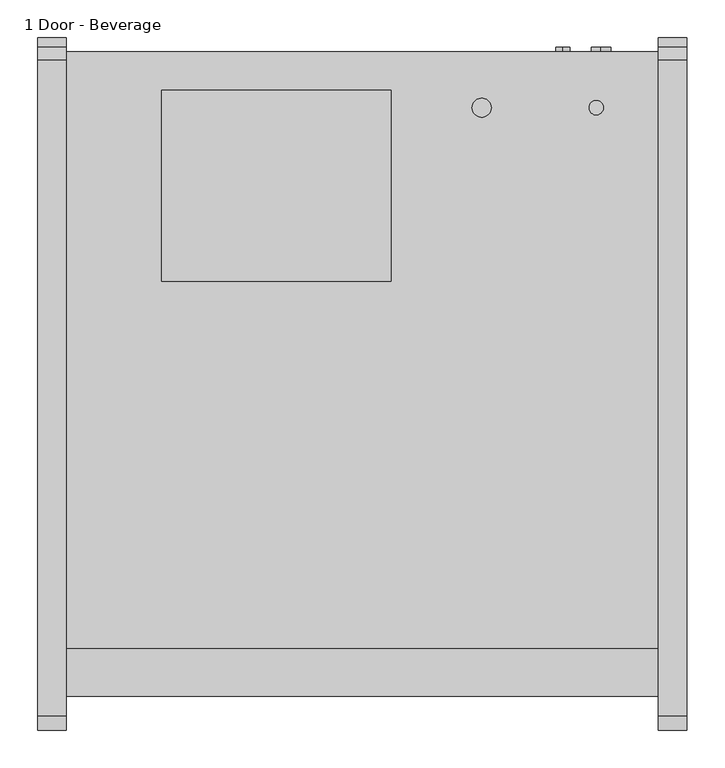
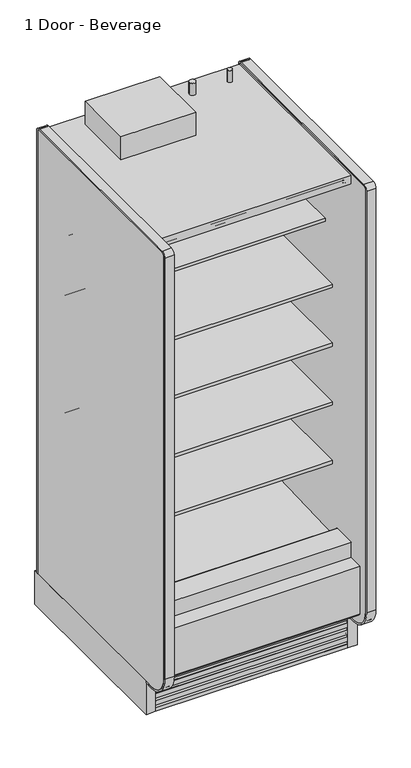
"""IFC4 building model written with IfcOpenShell, lengths in millimetres: proxy geometry, 1 Door - Beverage."""

from ifc_helpers import new_model, si_unit, point, frame, frame_2d, origin, origin_with_axes, place, context, project, spatial, polyline, circle_curve, trimmed, segment, composite_curve, outline, extrude, source, transform, mapped, element, save
from ifc_brep_helpers import plane_surface, revolved_surface, advanced_brep


def proxy_1_door_beverage_6c712060(model_context):
    return source(origin(), model_context, "Body", "SolidModel", [
        extrude(outline(composite_curve([segment(trimmed(circle_curve(frame_2d((704.85, -429.4247809)), 9.525), [point((695.325, -429.4247809))], [point((714.375, -429.4247809))], False, "CARTESIAN"), True, "CONTINUOUS"), segment(trimmed(circle_curve(frame_2d((704.85, -429.4247809)), 9.525), [point((714.375, -429.4247809))], [point((695.325, -429.4247809))], False, "CARTESIAN"), True, "CONTINUOUS")], self_intersect=False)), frame((0.0, 0.0, 2058.9904091), z_axis=(0.0, 0.0, 1.0), x_axis=(1.0, 0.0, 0.0)), (0.0, 0.0, 1.0), 50.8),
        extrude(outline(composite_curve([segment(trimmed(circle_curve(frame_2d((552.45, -429.4247809)), 12.7), [point((539.75, -429.4247809))], [point((565.15, -429.4247809))], False, "CARTESIAN"), True, "CONTINUOUS"), segment(trimmed(circle_curve(frame_2d((552.45, -429.4247809)), 12.7), [point((565.15, -429.4247809))], [point((539.75, -429.4247809))], False, "CARTESIAN"), True, "CONTINUOUS")], self_intersect=False)), frame((0.0, 0.0, 2058.9904091), z_axis=(0.0, 0.0, 1.0), x_axis=(1.0, 0.0, 0.0)), (0.0, 0.0, 1.0), 50.8),
        extrude(outline(composite_curve([segment(polyline([(-349.0071273, 2056.656972), (-349.0071273, 143.2306), (-355.3571273, 143.2306), (-355.3571273, 2056.656972)]), True, "CONTINUOUS"), segment(trimmed(circle_curve(frame_2d((-365.6251553, 2056.656972)), 10.268028), [point((-355.3571273, 2056.656972))], [point((-365.6251553, 2066.925))], True, "CARTESIAN"), True, "CONTINUOUS"), segment(polyline([(-365.6251553, 2066.925), (-1237.4724391, 2066.925)]), True, "CONTINUOUS"), segment(trimmed(circle_curve(frame_2d((-1237.4724391, 2054.225)), 12.7), [point((-1237.4724391, 2066.925))], [point((-1250.1724391, 2054.225))], True, "CARTESIAN"), True, "CONTINUOUS"), segment(polyline([(-1250.1724391, 2054.225), (-1250.1724391, 232.1306)]), True, "CONTINUOUS"), segment(trimmed(circle_curve(frame_2d((-1161.2724391, 232.1306)), 88.9), [point((-1250.1724391, 232.1306))], [point((-1161.2724391, 143.2306))], True, "CARTESIAN"), True, "CONTINUOUS"), segment(polyline([(-1161.2724391, 143.2306), (-1124.0599223, 143.2306), (-1124.0599223, 136.8806), (-1161.2724391, 136.8806)]), True, "CONTINUOUS"), segment(trimmed(circle_curve(frame_2d((-1161.2724391, 232.1306)), 95.25), [point((-1161.2724391, 136.8806))], [point((-1256.5224391, 232.1306))], False, "CARTESIAN"), True, "CONTINUOUS"), segment(polyline([(-1256.5224391, 232.1306), (-1256.5224391, 2054.225)]), True, "CONTINUOUS"), segment(trimmed(circle_curve(frame_2d((-1237.4724391, 2054.225)), 19.05), [point((-1256.5224391, 2054.225))], [point((-1237.4724391, 2073.275))], False, "CARTESIAN"), True, "CONTINUOUS"), segment(polyline([(-1237.4724391, 2073.275), (-365.6251553, 2073.275)]), True, "CONTINUOUS"), segment(trimmed(circle_curve(frame_2d((-365.6251553, 2056.656972)), 16.618028), [point((-365.6251553, 2073.275))], [point((-349.0071273, 2056.656972))], False, "CARTESIAN"), True, "CONTINUOUS")], self_intersect=False)), frame((787.4, 0.0, 0.0), z_axis=(1.0, 0.0, 0.0), x_axis=(0.0, 1.0, 0.0)), (0.0, 0.0, 1.0), 38.1),
        extrude(outline(polyline([(825.5, -336.3071273), (825.5, -1124.0599223), (787.4, -1124.0599223), (787.4, -336.3071273), (825.5, -336.3071273)])), origin_with_axes(), (0.0, 0.0, 1.0), 143.2306),
        extrude(outline(composite_curve([segment(polyline([(-1250.1724391, 232.1306), (-1250.1724391, 2054.225)]), True, "CONTINUOUS"), segment(trimmed(circle_curve(frame_2d((-1237.4724391, 2054.225)), 12.7), [point((-1250.1724391, 2054.225))], [point((-1237.4724391, 2066.925))], False, "CARTESIAN"), True, "CONTINUOUS"), segment(polyline([(-1237.4724391, 2066.925), (-365.6251553, 2066.925)]), True, "CONTINUOUS"), segment(trimmed(circle_curve(frame_2d((-365.6251553, 2056.656972)), 10.268028), [point((-365.6251553, 2066.925))], [point((-355.3571273, 2056.656972))], False, "CARTESIAN"), True, "CONTINUOUS"), segment(polyline([(-355.3571273, 2056.656972), (-355.3571273, 143.2306), (-1161.2724391, 143.2306)]), True, "CONTINUOUS"), segment(trimmed(circle_curve(frame_2d((-1161.2724391, 232.1306)), 88.9), [point((-1161.2724391, 143.2306))], [point((-1250.1724391, 232.1306))], False, "CARTESIAN"), True, "CONTINUOUS")], self_intersect=False)), frame((787.4, 0.0, 0.0), z_axis=(1.0, 0.0, 0.0), x_axis=(0.0, 1.0, 0.0)), (0.0, 0.0, 1.0), 38.1),
        extrude(outline(composite_curve([segment(polyline([(-1124.0599223, 136.8806), (-1161.2724391, 136.8806)]), True, "CONTINUOUS"), segment(trimmed(circle_curve(frame_2d((-1161.2724391, 232.1306)), 95.25), [point((-1161.2724391, 136.8806))], [point((-1256.5224391, 232.1306))], False, "CARTESIAN"), True, "CONTINUOUS"), segment(polyline([(-1256.5224391, 232.1306), (-1256.5224391, 2054.225)]), True, "CONTINUOUS"), segment(trimmed(circle_curve(frame_2d((-1237.4724391, 2054.225)), 19.05), [point((-1256.5224391, 2054.225))], [point((-1237.4724391, 2073.275))], False, "CARTESIAN"), True, "CONTINUOUS"), segment(polyline([(-1237.4724391, 2073.275), (-365.6251553, 2073.275)]), True, "CONTINUOUS"), segment(trimmed(circle_curve(frame_2d((-365.6251553, 2056.656972)), 16.618028), [point((-365.6251553, 2073.275))], [point((-349.0071273, 2056.656972))], False, "CARTESIAN"), True, "CONTINUOUS"), segment(polyline([(-349.0071273, 2056.656972), (-349.0071273, 143.2306), (-355.3571273, 143.2306), (-355.3571273, 2056.656972)]), True, "CONTINUOUS"), segment(trimmed(circle_curve(frame_2d((-365.6251553, 2056.656972)), 10.268028), [point((-355.3571273, 2056.656972))], [point((-365.6251553, 2066.925))], True, "CARTESIAN"), True, "CONTINUOUS"), segment(polyline([(-365.6251553, 2066.925), (-1237.4724391, 2066.925)]), True, "CONTINUOUS"), segment(trimmed(circle_curve(frame_2d((-1237.4724391, 2054.225)), 12.7), [point((-1237.4724391, 2066.925))], [point((-1250.1724391, 2054.225))], True, "CARTESIAN"), True, "CONTINUOUS"), segment(polyline([(-1250.1724391, 2054.225), (-1250.1724391, 232.1306)]), True, "CONTINUOUS"), segment(trimmed(circle_curve(frame_2d((-1161.2724391, 232.1306)), 88.9), [point((-1250.1724391, 232.1306))], [point((-1161.2724391, 143.2306))], True, "CARTESIAN"), True, "CONTINUOUS"), segment(polyline([(-1161.2724391, 143.2306), (-1124.0599223, 143.2306), (-1124.0599223, 136.8806)]), True, "CONTINUOUS")], self_intersect=False)), frame((-38.1, 0.0, 0.0), z_axis=(1.0, 0.0, 0.0), x_axis=(0.0, 1.0, 0.0)), (0.0, 0.0, 1.0), 38.1),
        extrude(outline(polyline([(0.0, -336.3071273), (0.0, -1124.0599223), (-38.1, -1124.0599223), (-38.1, -336.3071273), (0.0, -336.3071273)])), origin_with_axes(), (0.0, 0.0, 1.0), 143.2306),
        extrude(outline(composite_curve([segment(polyline([(-1250.1724391, 232.1306), (-1250.1724391, 2054.225)]), True, "CONTINUOUS"), segment(trimmed(circle_curve(frame_2d((-1237.4724391, 2054.225)), 12.7), [point((-1250.1724391, 2054.225))], [point((-1237.4724391, 2066.925))], False, "CARTESIAN"), True, "CONTINUOUS"), segment(polyline([(-1237.4724391, 2066.925), (-365.6251553, 2066.925)]), True, "CONTINUOUS"), segment(trimmed(circle_curve(frame_2d((-365.6251553, 2056.656972)), 10.268028), [point((-365.6251553, 2066.925))], [point((-355.3571273, 2056.656972))], False, "CARTESIAN"), True, "CONTINUOUS"), segment(polyline([(-355.3571273, 2056.656972), (-355.3571273, 143.2306), (-1137.131026, 143.2306), (-1161.2724391, 143.2306)]), True, "CONTINUOUS"), segment(trimmed(circle_curve(frame_2d((-1161.2724391, 232.1306)), 88.9), [point((-1161.2724391, 143.2306))], [point((-1250.1724391, 232.1306))], False, "CARTESIAN"), True, "CONTINUOUS")], self_intersect=False)), frame((-38.1, 0.0, 0.0), z_axis=(1.0, 0.0, 0.0), x_axis=(0.0, 1.0, 0.0)), (0.0, 0.0, 1.0), 38.1),
        extrude(outline(polyline([(0.0, -76.2), (0.0, 0.0), (787.4, 0.0), (787.4, -76.2), (0.0, -76.2)])), frame((787.4, -1079.2958538, 1988.0577862), z_axis=(0.0, 0.09315347017682277, 0.9956517619097633), x_axis=(-1.0, 0.0, 0.0)), (0.0, 0.0, 1.0), 12.7),
        extrude(outline(composite_curve([segment(trimmed(circle_curve(frame_2d((-1205.0506273, 199.8107889)), 6.35), [point((-1201.8764382, 194.3110595))], [point((-1211.4006273, 199.8107889))], False, "CARTESIAN"), True, "CONTINUOUS"), segment(polyline([(-1211.4006273, 199.8107889), (-1211.4006273, 404.6728), (-1147.784197, 404.6728), (-1147.784197, 395.1732), (-1196.1987273, 395.1732), (-1196.1987273, 260.4549459), (-1151.8090876, 223.2076157), (-1201.8764382, 194.3110595)]), True, "CONTINUOUS")], self_intersect=False)), frame((0.0, 0.0, 0.0), z_axis=(1.0, 0.0, 0.0), x_axis=(0.0, 1.0, 0.0)), (0.0, 0.0, 1.0), 787.4),
        extrude(outline(polyline([(431.8422466, -406.1571273), (431.8422466, -660.1571273), (127.0, -660.1571273), (127.0, -406.1571273), (431.8422466, -406.1571273)])), frame((0.0, 0.0, 2058.9904091), z_axis=(0.0, 0.0, 1.0), x_axis=(1.0, 0.0, 0.0)), (0.0, 0.0, 1.0), 100.0095909),
        advanced_brep(
        [(787.4, -1124.0599223, 0.0), (787.4, -1111.0071273, 0.0), (787.4, -1111.0071273, 189.0201105), (787.4, -1118.1695038, 194.9418778), (787.4, -1118.1695038, 167.3928018), (787.4, -1119.7599344, 165.8023712), (787.4, -1119.7599344, 146.7523712), (787.4, -1117.4655682, 147.966845), (787.4, -1114.0015384, 146.7880867), (787.4, -1120.0983392, 136.4191003), (787.4, -1120.6941527, 135.8232868), (787.4, -1120.6941527, 116.7732868), (787.4, -1118.3997865, 117.9877605), (787.4, -1114.9357567, 116.8090023), (787.4, -1121.0325575, 106.4400158), (787.4, -1121.628371, 105.8442023), (787.4, -1121.628371, 86.7942023), (787.4, -1119.3340048, 88.0086761), (787.4, -1115.869975, 86.8299178), (787.4, -1121.9667759, 76.4609313), (787.4, -1122.5625893, 75.8651179), (787.4, -1122.5625893, 56.8151179), (787.4, -1120.2682231, 58.0295916), (787.4, -1116.8041934, 56.8508334), (787.4, -1122.9009942, 46.4818469), (787.4, -1123.4968077, 45.8860334), (787.4, -1123.4968077, 26.8360334), (787.4, -1121.2024415, 28.0505071), (787.4, -1117.7384117, 26.8717489), (787.4, -1123.8352125, 16.5027624), (787.4, -1124.0599223, 15.4000228), (0.0, -1124.0599223, 0.0), (0.0, -1124.0599223, 15.4000228), (0.0, -1123.8352125, 16.5027624), (0.0, -1117.7046569, 26.7952908), (0.0, -1121.2024415, 28.0505071), (0.0, -1123.4968077, 26.8360334), (0.0, -1123.4968077, 45.8860334), (0.0, -1122.9009942, 46.4818469), (0.0, -1116.7704385, 56.7743753), (0.0, -1120.2682231, 58.0295916), (0.0, -1122.5625893, 56.8151179), (0.0, -1122.5625893, 75.8651179), (0.0, -1121.9667759, 76.4609313), (0.0, -1115.8362202, 86.7534597), (0.0, -1119.3340048, 88.0086761), (0.0, -1121.628371, 86.7942023), (0.0, -1121.628371, 105.8442023), (0.0, -1121.0325575, 106.4400158), (0.0, -1114.9020019, 116.7325442), (0.0, -1118.3997865, 117.9877605), (0.0, -1120.6941527, 116.7732868), (0.0, -1120.6941527, 135.8232868), (0.0, -1120.0983392, 136.4191003), (0.0, -1113.9677835, 146.7116287), (0.0, -1117.4655682, 147.966845), (0.0, -1119.7599344, 146.7523712), (0.0, -1119.7599344, 165.8023712), (0.0, -1118.1695038, 167.3928018), (0.0, -1118.1695038, 194.9418778), (0.0, -1111.0071273, 189.0201105), (0.0, -1111.0071273, 0.0)],
        [
            (0, 1),
            (1, 2),
            (2, 3),
            (3, 4),
            (4, 5),
            (5, 6),
            (6, 7),
            (7, 8, circle_curve(frame((787.4, -1116.2892235, 145.7445117), z_axis=(-1.0, 0.0, 0.0), x_axis=(0.0, 1.0, 0.0)), 2.5144685)),
            (8, 9, circle_curve(frame((787.4, -1120.7858609, 143.8006506), z_axis=(-1.0, 0.0, 0.0), x_axis=(0.0, 1.0, 0.0)), 7.4134993)),
            (9, 10),
            (10, 11),
            (11, 12),
            (12, 13, circle_curve(frame((787.4, -1117.2234418, 115.7654272), z_axis=(-1.0, 0.0, 0.0), x_axis=(0.0, 1.0, 0.0)), 2.5144685)),
            (13, 14, circle_curve(frame((787.4, -1121.7200792, 113.8215662), z_axis=(-1.0, 0.0, 0.0), x_axis=(0.0, 1.0, 0.0)), 7.4134993)),
            (14, 15),
            (15, 16),
            (16, 17),
            (17, 18, circle_curve(frame((787.4, -1118.1576601, 85.7863428), z_axis=(-1.0, 0.0, 0.0), x_axis=(0.0, 1.0, 0.0)), 2.5144685)),
            (18, 19, circle_curve(frame((787.4, -1122.6542976, 83.8424817), z_axis=(-1.0, 0.0, 0.0), x_axis=(0.0, 1.0, 0.0)), 7.4134993)),
            (19, 20),
            (20, 21),
            (21, 22),
            (22, 23, circle_curve(frame((787.4, -1119.0918785, 55.8072583), z_axis=(-1.0, 0.0, 0.0), x_axis=(0.0, 1.0, 0.0)), 2.5144685)),
            (23, 24, circle_curve(frame((787.4, -1123.5885159, 53.8633973), z_axis=(-1.0, 0.0, 0.0), x_axis=(0.0, 1.0, 0.0)), 7.4134993)),
            (24, 25),
            (25, 26),
            (26, 27),
            (27, 28, circle_curve(frame((787.4, -1120.0260968, 25.8281739), z_axis=(-1.0, 0.0, 0.0), x_axis=(0.0, 1.0, 0.0)), 2.5144685)),
            (28, 29, circle_curve(frame((787.4, -1124.5227342, 23.8843128), z_axis=(-1.0, 0.0, 0.0), x_axis=(0.0, 1.0, 0.0)), 7.4134993)),
            (29, 30),
            (30, 0),
            (31, 32),
            (32, 33),
            (33, 34, circle_curve(frame((0.0, -1124.5227342, 23.8843128), z_axis=(1.0, 0.0, 0.0), x_axis=(0.0, 1.0, 0.0)), 7.4134993)),
            (34, 35, circle_curve(frame((0.0, -1120.0260968, 25.8281739), z_axis=(1.0, 0.0, 0.0), x_axis=(0.0, 1.0, 0.0)), 2.5144685)),
            (35, 36),
            (36, 37),
            (37, 38),
            (38, 39, circle_curve(frame((0.0, -1123.5885159, 53.8633973), z_axis=(1.0, 0.0, 0.0), x_axis=(0.0, 1.0, 0.0)), 7.4134993)),
            (39, 40, circle_curve(frame((0.0, -1119.0918785, 55.8072583), z_axis=(1.0, 0.0, 0.0), x_axis=(0.0, 1.0, 0.0)), 2.5144685)),
            (40, 41),
            (41, 42),
            (42, 43),
            (43, 44, circle_curve(frame((0.0, -1122.6542976, 83.8424817), z_axis=(1.0, 0.0, 0.0), x_axis=(0.0, 1.0, 0.0)), 7.4134993)),
            (44, 45, circle_curve(frame((0.0, -1118.1576601, 85.7863428), z_axis=(1.0, 0.0, 0.0), x_axis=(0.0, 1.0, 0.0)), 2.5144685)),
            (45, 46),
            (46, 47),
            (47, 48),
            (48, 49, circle_curve(frame((0.0, -1121.7200792, 113.8215662), z_axis=(1.0, 0.0, 0.0), x_axis=(0.0, 1.0, 0.0)), 7.4134993)),
            (49, 50, circle_curve(frame((0.0, -1117.2234418, 115.7654272), z_axis=(1.0, 0.0, 0.0), x_axis=(0.0, 1.0, 0.0)), 2.5144685)),
            (50, 51),
            (51, 52),
            (52, 53),
            (53, 54, circle_curve(frame((0.0, -1120.7858609, 143.8006506), z_axis=(1.0, 0.0, 0.0), x_axis=(0.0, 1.0, 0.0)), 7.4134993)),
            (54, 55, circle_curve(frame((0.0, -1116.2892235, 145.7445117), z_axis=(1.0, 0.0, 0.0), x_axis=(0.0, 1.0, 0.0)), 2.5144685)),
            (55, 56),
            (56, 57),
            (57, 58),
            (58, 59),
            (59, 60),
            (60, 61),
            (61, 31),
            (0, 31),
            (61, 1),
            (60, 2),
            (59, 3),
            (58, 4),
            (57, 5),
            (56, 6),
            (55, 7),
            (54, 8),
            (53, 9),
            (52, 10),
            (51, 11),
            (50, 12),
            (49, 13),
            (48, 14),
            (47, 15),
            (46, 16),
            (45, 17),
            (44, 18),
            (43, 19),
            (42, 20),
            (41, 21),
            (40, 22),
            (39, 23),
            (38, 24),
            (37, 25),
            (36, 26),
            (35, 27),
            (34, 28),
            (33, 29),
            (30, 32),
        ],
        [
            plane_surface(frame((787.4, -1111.0071273, 0.0), z_axis=(1.0, 0.0, 0.0), x_axis=(0.0, 1.0, 0.0))),
            plane_surface(frame((0.0, -1111.0071273, 0.0), z_axis=(-1.0, 0.0, 0.0), x_axis=(0.0, -1.0, 0.0))),
            plane_surface(frame((787.4, -1124.0599223, 0.0), z_axis=(0.0, 0.0, -1.0), x_axis=(-1.0, 0.0, 0.0))),
            plane_surface(frame((787.4, -1111.0071273, 0.0), z_axis=(0.0, 1.0, 0.0), x_axis=(-1.0, 0.0, 0.0))),
            plane_surface(frame((787.4, -1111.0071273, 189.0201105), z_axis=(0.0, 0.6372025590230975, 0.7706963726231076), x_axis=(-1.0, 0.0, 0.0))),
            plane_surface(frame((787.4, -1118.1695038, 194.9418778), z_axis=(0.0, -1.0, 0.0), x_axis=(-1.0, 0.0, 0.0))),
            plane_surface(frame((787.4, -1118.1695038, 167.3928018), z_axis=(0.0, -0.7071067811865249, 0.7071067811865701), x_axis=(-1.0, 0.0, 0.0))),
            plane_surface(frame((787.4, -1119.7599344, 165.8023712), z_axis=(0.0, -1.0, 0.0), x_axis=(-1.0, 0.0, 0.0))),
            plane_surface(frame((787.4, -1119.7599344, 146.7523712), z_axis=(0.0, 0.46783034066877954, -0.8838182914772322), x_axis=(-1.0, 0.0, 0.0))),
            revolved_surface(polyline([(0.0, -1113.774755, 145.7445117), (787.4, -1113.774755, 145.7445117)]), (0.0, -1116.2892235, 145.7445117), (-1.0, 0.0, 0.0)),
            revolved_surface(polyline([(0.0, -1113.3723616, 143.8006506), (787.4, -1113.3723616, 143.8006506)]), (0.0, -1120.7858609, 143.8006506), (-1.0, 0.0, 0.0)),
            plane_surface(frame((787.4, -1120.0983392, 136.4191003), z_axis=(0.0, -0.7071067811865174, 0.7071067811865777), x_axis=(-1.0, 0.0, 0.0))),
            plane_surface(frame((787.4, -1120.6941527, 135.8232868), z_axis=(0.0, -1.0, 0.0), x_axis=(-1.0, 0.0, 0.0))),
            plane_surface(frame((787.4, -1120.6941527, 116.7732868), z_axis=(0.0, 0.46783034066877444, -0.8838182914772349), x_axis=(-1.0, 0.0, 0.0))),
            revolved_surface(polyline([(0.0, -1114.7089733, 115.7654272), (787.4, -1114.7089733, 115.7654272)]), (0.0, -1117.2234418, 115.7654272), (-1.0, 0.0, 0.0)),
            revolved_surface(polyline([(0.0, -1114.3065799, 113.8215662), (787.4, -1114.3065799, 113.8215662)]), (0.0, -1121.7200792, 113.8215662), (-1.0, 0.0, 0.0)),
            plane_surface(frame((787.4, -1121.0325575, 106.4400158), z_axis=(0.0, -0.7071067811865275, 0.7071067811865677), x_axis=(-1.0, 0.0, 0.0))),
            plane_surface(frame((787.4, -1121.628371, 105.8442023), z_axis=(0.0, -1.0, 0.0), x_axis=(-1.0, 0.0, 0.0))),
            plane_surface(frame((787.4, -1121.628371, 86.7942023), z_axis=(0.0, 0.46783034066877954, -0.8838182914772322), x_axis=(-1.0, 0.0, 0.0))),
            revolved_surface(polyline([(0.0, -1115.6431916, 85.7863428), (787.4, -1115.6431916, 85.7863428)]), (0.0, -1118.1576601, 85.7863428), (-1.0, 0.0, 0.0)),
            revolved_surface(polyline([(0.0, -1115.2407983, 83.8424817), (787.4, -1115.2407983, 83.8424817)]), (0.0, -1122.6542976, 83.8424817), (-1.0, 0.0, 0.0)),
            plane_surface(frame((787.4, -1121.9667759, 76.4609313), z_axis=(0.0, -0.7071067811865225, 0.7071067811865727), x_axis=(-1.0, 0.0, 0.0))),
            plane_surface(frame((787.4, -1122.5625893, 75.8651179), z_axis=(0.0, -1.0, 0.0), x_axis=(-1.0, 0.0, 0.0))),
            plane_surface(frame((787.4, -1122.5625893, 56.8151179), z_axis=(0.0, 0.46783034066877954, -0.8838182914772322), x_axis=(-1.0, 0.0, 0.0))),
            revolved_surface(polyline([(0.0, -1116.5774099999999, 55.8072583), (787.4, -1116.5774099999999, 55.8072583)]), (0.0, -1119.0918785, 55.8072583), (-1.0, 0.0, 0.0)),
            revolved_surface(polyline([(0.0, -1116.1750166, 53.8633973), (787.4, -1116.1750166, 53.8633973)]), (0.0, -1123.5885159, 53.8633973), (-1.0, 0.0, 0.0)),
            plane_surface(frame((787.4, -1122.9009942, 46.4818469), z_axis=(0.0, -0.7071067811865275, 0.7071067811865677), x_axis=(-1.0, 0.0, 0.0))),
            plane_surface(frame((787.4, -1123.4968077, 45.8860334), z_axis=(0.0, -1.0, 0.0), x_axis=(-1.0, 0.0, 0.0))),
            plane_surface(frame((787.4, -1123.4968077, 26.8360334), z_axis=(0.0, 0.46783034066877954, -0.8838182914772322), x_axis=(-1.0, 0.0, 0.0))),
            revolved_surface(polyline([(0.0, -1117.5116283, 25.8281739), (787.4, -1117.5116283, 25.8281739)]), (0.0, -1120.0260968, 25.8281739), (-1.0, 0.0, 0.0)),
            revolved_surface(polyline([(0.0, -1117.1092349, 23.8843128), (787.4, -1117.1092349, 23.8843128)]), (0.0, -1124.5227342, 23.8843128), (-1.0, 0.0, 0.0)),
            plane_surface(frame((787.4, -1124.0599223, 15.4000228), z_axis=(0.0, -1.0, 0.0), x_axis=(-1.0, 0.0, 0.0))),
            plane_surface(frame((787.4, -1123.8352125, 16.5027624), z_axis=(0.0, -0.9798630437033696, 0.19967076797660804), x_axis=(-1.0, 0.0, 0.0))),
        ],
        [
            (0, [[1, 2, 3, 4, 5, 6, 7, 8, 9, 10, 11, 12, 13, 14, 15, 16, 17, 18, 19, 20, 21, 22, 23, 24, 25, 26, 27, 28, 29, 30, 31]]),
            (1, [[32, 33, 34, 35, 36, 37, 38, 39, 40, 41, 42, 43, 44, 45, 46, 47, 48, 49, 50, 51, 52, 53, 54, 55, 56, 57, 58, 59, 60, 61, 62]]),
            (2, [[-1, 63, -62, 64]]),
            (3, [[-2, -64, -61, 65]]),
            (4, [[-3, -65, -60, 66]]),
            (5, [[-4, -66, -59, 67]]),
            (6, [[-5, -67, -58, 68]]),
            (7, [[-6, -68, -57, 69]]),
            (8, [[-7, -69, -56, 70]]),
            (9, [[-8, -70, -55, 71]]),
            (10, [[-9, -71, -54, 72]]),
            (11, [[-10, -72, -53, 73]]),
            (12, [[-11, -73, -52, 74]]),
            (13, [[-12, -74, -51, 75]]),
            (14, [[-13, -75, -50, 76]]),
            (15, [[-14, -76, -49, 77]]),
            (16, [[-15, -77, -48, 78]]),
            (17, [[-16, -78, -47, 79]]),
            (18, [[-17, -79, -46, 80]]),
            (19, [[-18, -80, -45, 81]]),
            (20, [[-19, -81, -44, 82]]),
            (21, [[-20, -82, -43, 83]]),
            (22, [[-21, -83, -42, 84]]),
            (23, [[-22, -84, -41, 85]]),
            (24, [[-23, -85, -40, 86]]),
            (25, [[-24, -86, -39, 87]]),
            (26, [[-25, -87, -38, 88]]),
            (27, [[-26, -88, -37, 89]]),
            (28, [[-27, -89, -36, 90]]),
            (29, [[-28, -90, -35, 91]]),
            (30, [[-29, -91, -34, 92]]),
            (31, [[-31, 93, -32, -63]]),
            (32, [[-30, -92, -33, -93]]),
        ],
    ),
        extrude(outline(composite_curve([segment(polyline([(-457.027044, 1659.5875245), (-468.1349362, 1659.3712074)]), True, "CONTINUOUS"), segment(trimmed(circle_curve(frame_2d((-468.6228819, 1684.4272352)), 25.0607786), [point((-468.1349362, 1659.3712074))], [point((-484.5302045, 1665.062326))], False, "CARTESIAN"), True, "CONTINUOUS"), segment(polyline([(-484.5302045, 1665.062326), (-522.7519051, 1696.1455946)]), True, "CONTINUOUS"), segment(trimmed(circle_curve(frame_2d((-562.8163782, 1646.8801098)), 63.5), [point((-522.7519051, 1696.1455946))], [point((-555.8383697, 1709.9955389))], True, "CARTESIAN"), True, "CONTINUOUS"), segment(polyline([(-555.8383697, 1709.9955389), (-850.9210421, 1742.6197236), (-850.9210421, 1746.90405), (-965.027044, 1746.90405), (-965.027044, 1760.3978), (-457.027044, 1760.3978), (-457.027044, 1659.5875245)]), True, "CONTINUOUS")], self_intersect=False)), frame((0.0, 0.0, 0.0), z_axis=(1.0, 0.0, 0.0), x_axis=(0.0, 1.0, 0.0)), (0.0, 0.0, 1.0), 787.4),
        extrude(outline(composite_curve([segment(polyline([(-457.027044, 643.5875245), (-468.1349362, 643.3712074)]), True, "CONTINUOUS"), segment(trimmed(circle_curve(frame_2d((-468.6228819, 668.4272352)), 25.0607786), [point((-468.1349362, 643.3712074))], [point((-484.5302045, 649.062326))], False, "CARTESIAN"), True, "CONTINUOUS"), segment(polyline([(-484.5302045, 649.062326), (-522.7519051, 680.1455946)]), True, "CONTINUOUS"), segment(trimmed(circle_curve(frame_2d((-562.8163782, 630.8801098)), 63.5), [point((-522.7519051, 680.1455946))], [point((-555.9633688, 694.0092335))], True, "CARTESIAN"), True, "CONTINUOUS"), segment(polyline([(-555.9633688, 694.0092335), (-901.7210421, 726.6197236), (-901.7210421, 730.90405), (-1015.827044, 730.90405), (-1015.827044, 744.3978), (-457.027044, 744.3978), (-457.027044, 643.5875245)]), True, "CONTINUOUS")], self_intersect=False)), frame((0.0, 0.0, 0.0), z_axis=(1.0, 0.0, 0.0), x_axis=(0.0, 1.0, 0.0)), (0.0, 0.0, 1.0), 787.4),
        extrude(outline(composite_curve([segment(polyline([(-457.027044, 897.5875245), (-468.1349362, 897.3712074)]), True, "CONTINUOUS"), segment(trimmed(circle_curve(frame_2d((-468.6228819, 922.4272352)), 25.0607786), [point((-468.1349362, 897.3712074))], [point((-484.5302045, 903.062326))], False, "CARTESIAN"), True, "CONTINUOUS"), segment(polyline([(-484.5302045, 903.062326), (-522.7519051, 934.1455946)]), True, "CONTINUOUS"), segment(trimmed(circle_curve(frame_2d((-562.8163782, 884.8801098)), 63.5), [point((-522.7519051, 934.1455946))], [point((-555.9633688, 948.0092335))], True, "CARTESIAN"), True, "CONTINUOUS"), segment(polyline([(-555.9633688, 948.0092335), (-901.7210421, 980.6197236), (-901.7210421, 984.90405), (-1015.827044, 984.90405), (-1015.827044, 998.3978), (-457.027044, 998.3978), (-457.027044, 897.5875245)]), True, "CONTINUOUS")], self_intersect=False)), frame((0.0, 0.0, 0.0), z_axis=(1.0, 0.0, 0.0), x_axis=(0.0, 1.0, 0.0)), (0.0, 0.0, 1.0), 787.4),
        extrude(outline(composite_curve([segment(polyline([(-457.027044, 1151.5875245), (-468.1349362, 1151.3712074)]), True, "CONTINUOUS"), segment(trimmed(circle_curve(frame_2d((-468.6228819, 1176.4272352)), 25.0607786), [point((-468.1349362, 1151.3712074))], [point((-484.5302045, 1157.062326))], False, "CARTESIAN"), True, "CONTINUOUS"), segment(polyline([(-484.5302045, 1157.062326), (-522.7519051, 1188.1455946)]), True, "CONTINUOUS"), segment(trimmed(circle_curve(frame_2d((-562.8163782, 1138.8801098)), 63.5), [point((-522.7519051, 1188.1455946))], [point((-555.9633688, 1202.0092335))], True, "CARTESIAN"), True, "CONTINUOUS"), segment(polyline([(-555.9633688, 1202.0092335), (-901.7210421, 1234.6197236), (-901.7210421, 1238.90405), (-1015.827044, 1238.90405), (-1015.827044, 1252.3978), (-457.027044, 1252.3978), (-457.027044, 1151.5875245)]), True, "CONTINUOUS")], self_intersect=False)), frame((0.0, 0.0, 0.0), z_axis=(1.0, 0.0, 0.0), x_axis=(0.0, 1.0, 0.0)), (0.0, 0.0, 1.0), 787.4),
        extrude(outline(composite_curve([segment(polyline([(-457.027044, 1405.5875245), (-468.1349362, 1405.3712074)]), True, "CONTINUOUS"), segment(trimmed(circle_curve(frame_2d((-468.6228819, 1430.4272352)), 25.0607786), [point((-468.1349362, 1405.3712074))], [point((-484.5302045, 1411.062326))], False, "CARTESIAN"), True, "CONTINUOUS"), segment(polyline([(-484.5302045, 1411.062326), (-522.7519051, 1442.1455946)]), True, "CONTINUOUS"), segment(trimmed(circle_curve(frame_2d((-562.8163782, 1392.8801098)), 63.5), [point((-522.7519051, 1442.1455946))], [point((-555.9633688, 1456.0092335))], True, "CARTESIAN"), True, "CONTINUOUS"), segment(polyline([(-555.9633688, 1456.0092335), (-901.7210421, 1488.6197236), (-901.7210421, 1492.90405), (-1015.827044, 1492.90405), (-1015.827044, 1506.3978), (-457.027044, 1506.3978), (-457.027044, 1405.5875245)]), True, "CONTINUOUS")], self_intersect=False)), frame((0.0, 0.0, 0.0), z_axis=(1.0, 0.0, 0.0), x_axis=(0.0, 1.0, 0.0)), (0.0, 0.0, 1.0), 787.4),
        advanced_brep(
        [(787.4, -355.3571273, 130.5306), (787.4, -355.3571273, 2057.4), (787.4, -1147.784197, 2057.4), (787.4, -1147.784197, 2020.2201079), (787.4, -405.5224764, 2020.2201079), (787.4, -405.5224764, 220.2495555), (787.4, -866.2322128, 192.9404113), (787.4, -906.3154388, 159.4459345), (787.4, -970.8177493, 157.1934642), (787.4, -1016.169944, 190.0023738), (787.4, -1033.5218065, 189.3964335), (787.4, -1147.784197, 285.2739632), (787.4, -1147.784197, 395.1732), (787.4, -1196.1987273, 395.1732), (787.4, -1196.1987273, 260.4549459), (787.4, -1041.3609213, 130.5306), (0.0, -355.3571273, 130.5306), (0.0, -1041.3609213, 130.5306), (0.0, -1196.1987273, 260.4549459), (0.0, -1196.1987273, 395.1732), (0.0, -1147.784197, 395.1732), (0.0, -1147.784197, 285.2739632), (0.0, -1033.5218065, 189.3964335), (0.0, -1016.169944, 190.0023738), (0.0, -970.8177493, 157.1934642), (0.0, -906.3154388, 159.4459345), (0.0, -866.2322128, 192.9404113), (0.0, -405.5224764, 220.2495555), (0.0, -405.5224764, 2020.2201079), (0.0, -1147.784197, 2020.2201079), (0.0, -1147.784197, 2057.4), (0.0, -355.3571273, 2057.4), (685.8, -355.3571273, 303.2125), (685.8, -355.3571273, 404.8125), (685.8, -390.6253644, 303.2125), (685.8, -390.6253644, 404.8125)],
        [
            (0, 1),
            (1, 2),
            (2, 3),
            (3, 4),
            (4, 5),
            (5, 6),
            (6, 7),
            (7, 8),
            (8, 9),
            (9, 10),
            (10, 11),
            (11, 12),
            (12, 13),
            (13, 14),
            (14, 15),
            (15, 0),
            (16, 17),
            (17, 18),
            (18, 19),
            (19, 20),
            (20, 21),
            (21, 22),
            (22, 23),
            (23, 24),
            (24, 25),
            (25, 26),
            (26, 27),
            (27, 28),
            (28, 29),
            (29, 30),
            (30, 31),
            (31, 16),
            (0, 16),
            (31, 1),
            (32, 33, circle_curve(frame((685.8, -355.3571273, 354.0125), z_axis=(0.0, -1.0, 0.0), x_axis=(0.0, 0.0, 1.0)), 50.8)),
            (33, 32, circle_curve(frame((685.8, -355.3571273, 354.0125), z_axis=(0.0, -1.0, 0.0), x_axis=(0.0, 0.0, 1.0)), 50.8)),
            (30, 2),
            (29, 3),
            (28, 4),
            (27, 5),
            (15, 17),
            (34, 35, circle_curve(frame((685.8, -390.6253644, 354.0125), z_axis=(0.0, 1.0, 0.0), x_axis=(0.0, 0.0, 1.0)), 50.8)),
            (35, 34, circle_curve(frame((685.8, -390.6253644, 354.0125), z_axis=(0.0, 1.0, 0.0), x_axis=(0.0, 0.0, 1.0)), 50.8)),
            (35, 33),
            (32, 34),
            (6, 26),
            (25, 7),
            (24, 8),
            (23, 9),
            (22, 10),
            (21, 11),
            (20, 12),
            (19, 13),
            (18, 14),
        ],
        [
            plane_surface(frame((787.4, -355.3571273, 2046.3567079), z_axis=(1.0, 0.0, 0.0), x_axis=(0.0, 0.0, 1.0))),
            plane_surface(frame((0.0, -355.3571273, 2046.3567079), z_axis=(-1.0, 0.0, 0.0), x_axis=(0.0, 0.0, -1.0))),
            plane_surface(frame((787.4, -355.3571273, 130.5306), z_axis=(0.0, 1.0, 0.0), x_axis=(-1.0, 0.0, 0.0))),
            plane_surface(frame((787.4, -355.3571273, 2057.4), z_axis=(0.0, 0.0, 1.0), x_axis=(-1.0, 0.0, 0.0))),
            plane_surface(frame((787.4, -1147.784197, 2057.4), z_axis=(0.0, -1.0, 0.0), x_axis=(-1.0, 0.0, 0.0))),
            plane_surface(frame((787.4, -1147.784197, 2020.2201079), z_axis=(0.0, 0.0, -1.0), x_axis=(-1.0, 0.0, 0.0))),
            plane_surface(frame((787.4, -405.5224764, 2020.2201079), z_axis=(0.0, -1.0, 0.0), x_axis=(-1.0, 0.0, 0.0))),
            plane_surface(frame((787.4, -1041.3609213, 130.5306), z_axis=(0.0, 0.0, -1.0), x_axis=(-1.0, 0.0, 0.0))),
            plane_surface(frame((685.8, -390.6253644, 404.8125), z_axis=(0.0, 1.0, 0.0), x_axis=(-1.0, 0.0, 0.0))),
            revolved_surface(polyline([(685.8, -390.6253644, 404.8125), (685.8, -355.3571273, 404.8125)]), (685.8, -355.3571273, 354.0125), (0.0, -1.0, 0.0)),
            plane_surface(frame((787.4, -866.2322128, 192.9404113), z_axis=(0.0, -0.6412208566386132, 0.7673563794037573), x_axis=(-1.0, 0.0, 0.0))),
            plane_surface(frame((787.4, -906.3154388, 159.4459345), z_axis=(0.0, -0.03489949670245158, 0.9993908270190974), x_axis=(-1.0, 0.0, 0.0))),
            plane_surface(frame((787.4, -970.8177493, 157.1934642), z_axis=(0.0, 0.5861307997256702, 0.8102164436821474), x_axis=(-1.0, 0.0, 0.0))),
            plane_surface(frame((787.4, -1016.169944, 190.0023738), z_axis=(0.0, -0.034899496702486744, 0.9993908270190962), x_axis=(-1.0, 0.0, 0.0))),
            plane_surface(frame((787.4, -405.5224764, 220.2495555), z_axis=(0.0, -0.059172381954877985, 0.9982477794684975), x_axis=(-1.0, 0.0, 0.0))),
            plane_surface(frame((787.4, -1033.5218065, 189.3964335), z_axis=(0.0, 0.6427876096848525, 0.7660444431203935), x_axis=(-1.0, 0.0, 0.0))),
            plane_surface(frame((787.4, -1147.784197, 285.2739632), z_axis=(0.0, 1.0, 0.0), x_axis=(-1.0, 0.0, 0.0))),
            plane_surface(frame((787.4, -1147.784197, 395.1732), z_axis=(0.0, 0.0, 1.0), x_axis=(-1.0, 0.0, 0.0))),
            plane_surface(frame((787.4, -1196.1987273, 395.1732), z_axis=(0.0, -1.0, 0.0), x_axis=(-1.0, 0.0, 0.0))),
            plane_surface(frame((787.4, -1196.1987273, 260.4549459), z_axis=(0.0, -0.6427876096877204, -0.766044443117987), x_axis=(-1.0, 0.0, 0.0))),
        ],
        [
            (0, [[1, 2, 3, 4, 5, 6, 7, 8, 9, 10, 11, 12, 13, 14, 15, 16]]),
            (1, [[17, 18, 19, 20, 21, 22, 23, 24, 25, 26, 27, 28, 29, 30, 31, 32]]),
            (2, [[-1, 33, -32, 34], [35, 36]]),
            (3, [[-2, -34, -31, 37]]),
            (4, [[-3, -37, -30, 38]]),
            (5, [[-4, -38, -29, 39]]),
            (6, [[-5, -39, -28, 40]]),
            (7, [[-16, 41, -17, -33]]),
            (8, [[42, 43]]),
            (9, [[-43, 44, -35, 45]]),
            (9, [[-42, -45, -36, -44]]),
            (10, [[-7, 46, -26, 47]]),
            (11, [[-8, -47, -25, 48]]),
            (12, [[-9, -48, -24, 49]]),
            (13, [[-10, -49, -23, 50]]),
            (14, [[-6, -40, -27, -46]]),
            (15, [[-11, -50, -22, 51]]),
            (16, [[-12, -51, -21, 52]]),
            (17, [[-13, -52, -20, 53]]),
            (18, [[-14, -53, -19, 54]]),
            (19, [[-15, -54, -18, -41]]),
        ],
    ),
        extrude(outline(composite_curve([segment(polyline([(-457.027044, 445.7919218), (-405.5224764, 445.7919218), (-405.5224764, 220.2495555), (-866.2322128, 192.9404113), (-906.3154388, 159.4459345), (-970.8177493, 157.1934642), (-1016.169944, 190.0023738), (-1033.5218065, 189.3964335), (-1147.784197, 285.2739632), (-1147.784197, 471.3478), (-1049.6661273, 471.3478)]), True, "CONTINUOUS"), segment(trimmed(circle_curve(frame_2d((-1049.6661273, 469.2904)), 2.0574), [point((-1049.6661273, 471.3478))], [point((-1047.6087273, 469.2904))], False, "CARTESIAN"), True, "CONTINUOUS"), segment(polyline([(-1047.6087273, 469.2904), (-1047.6087273, 423.9708554), (-457.027044, 445.7919218)]), True, "CONTINUOUS")], self_intersect=False)), frame((0.0, 0.0, 0.0), z_axis=(1.0, 0.0, 0.0), x_axis=(0.0, 1.0, 0.0)), (0.0, 0.0, 1.0), 787.4),
        extrude(outline(composite_curve([segment(polyline([(-1001.0821412, 1994.8201079), (-1001.0544494, 1996.4629758), (-1080.2451873, 2003.8720844), (-1080.2451873, 1993.3723079)]), True, "CONTINUOUS"), segment(trimmed(circle_curve(frame_2d((-1082.7851873, 1993.3723079)), 2.54), [point((-1080.2451873, 1993.3723079))], [point((-1082.7851873, 1990.8323079))], False, "CARTESIAN"), True, "CONTINUOUS"), segment(polyline([(-1082.7851873, 1990.8323079), (-1092.0053873, 1990.8323079)]), True, "CONTINUOUS"), segment(trimmed(circle_curve(frame_2d((-1092.0053873, 1993.3723079)), 2.54), [point((-1092.0053873, 1990.8323079))], [point((-1094.5453873, 1993.3723079))], False, "CARTESIAN"), True, "CONTINUOUS"), segment(polyline([(-1094.5453873, 1993.3723079), (-1094.5453873, 2001.1923066)]), True, "CONTINUOUS"), segment(trimmed(circle_curve(frame_2d((-1097.0853873, 2001.1923066)), 2.54), [point((-1094.5453873, 2001.1923066))], [point((-1097.0853873, 2003.7323066))], True, "CARTESIAN"), True, "CONTINUOUS"), segment(polyline([(-1097.0853873, 2003.7323066), (-1111.0553873, 2003.7323066)]), True, "CONTINUOUS"), segment(trimmed(circle_curve(frame_2d((-1111.0553873, 2006.2723066)), 2.54), [point((-1111.0553873, 2003.7323066))], [point((-1113.5953873, 2006.2723066))], False, "CARTESIAN"), True, "CONTINUOUS"), segment(polyline([(-1113.5953873, 2006.2723066), (-1113.5953873, 2007.5201079), (-1113.5953873, 2020.2201079), (-405.5224764, 2020.2201079), (-405.5224764, 445.7919218), (-457.027044, 445.7919218), (-457.027044, 1994.8201079), (-1001.0821412, 1994.8201079)]), True, "CONTINUOUS")], self_intersect=False)), frame((0.0, 0.0, 0.0), z_axis=(1.0, 0.0, 0.0), x_axis=(0.0, 1.0, 0.0)), (0.0, 0.0, 1.0), 787.4),
        extrude(outline(polyline([(457.2, -1050.6821273), (457.2, -1114.594384), (254.0, -1114.594384), (254.0, -1050.6821273), (457.2, -1050.6821273)])), frame((0.0, 0.0, 44.45), z_axis=(0.0, 0.0, 1.0), x_axis=(1.0, 0.0, 0.0)), (0.0, 0.0, 1.0), 6.35),
        advanced_brep(
        [(787.4, -1111.0071273, 188.9707058), (787.4, -1111.0071273, 0.0), (787.4, -964.9571273, 0.0), (787.4, -964.9571273, 130.5306), (787.4, -1041.3609213, 130.5306), (0.0, -1111.0071273, 188.9707058), (0.0, -1041.3609213, 130.5306), (0.0, -964.9571273, 130.5306), (0.0, -964.9571273, 0.0), (0.0, -1111.0071273, 0.0), (245.6409893, -1111.0071273, 0.0), (245.6409893, -1111.0071273, 50.8), (466.3154811, -1111.0071273, 50.8), (466.3154811, -1111.0071273, 0.0), (466.3154811, -1045.2097182, 0.0), (245.6409893, -1045.2097182, 0.0), (348.0197047, -964.9571273, 0.0), (439.3802953, -964.9571273, 0.0), (519.6446396, -964.9571273, 0.0), (613.8303604, -964.9571273, 0.0), (613.8303604, -964.9571273, 127.0), (519.6446396, -964.9571273, 127.0), (439.3802953, -964.9571273, 127.0), (348.0197047, -964.9571273, 127.0), (466.3154811, -1045.2097182, 50.8), (245.6409893, -1045.2097182, 50.8)],
        [
            (0, 1),
            (1, 2),
            (2, 3),
            (3, 4),
            (4, 0),
            (5, 6),
            (6, 7),
            (7, 8),
            (8, 9),
            (9, 5),
            (0, 5),
            (9, 10),
            (10, 11),
            (11, 12),
            (12, 13),
            (13, 1),
            (13, 14),
            (14, 15),
            (15, 10),
            (8, 16),
            (16, 17, circle_curve(frame((393.7, -942.7321273, 0.0), z_axis=(0.0, 0.0, 1.0), x_axis=(1.0, 0.0, 0.0)), 50.8)),
            (17, 18),
            (18, 19, circle_curve(frame((566.7375, -945.9071273, 0.0), z_axis=(0.0, 0.0, 1.0), x_axis=(1.0, 0.0, 0.0)), 50.8)),
            (19, 2),
            (19, 20),
            (20, 21),
            (21, 18),
            (17, 22),
            (22, 23),
            (23, 16),
            (7, 3),
            (6, 4),
            (24, 14),
            (12, 24),
            (15, 25),
            (25, 11),
            (24, 25),
            (22, 23, circle_curve(frame((393.7, -942.7321273, 127.0), z_axis=(0.0, 0.0, -1.0), x_axis=(1.0, 0.0, 0.0)), 50.8)),
            (20, 21, circle_curve(frame((566.7375, -945.9071273, 127.0), z_axis=(0.0, 0.0, -1.0), x_axis=(1.0, 0.0, 0.0)), 50.8)),
        ],
        [
            plane_surface(frame((787.4, -1111.0071273, 0.0), z_axis=(1.0, 0.0, 0.0), x_axis=(0.0, 0.0, -1.0))),
            plane_surface(frame((0.0, -1111.0071273, 0.0), z_axis=(-1.0, 0.0, 0.0), x_axis=(0.0, 0.0, 1.0))),
            plane_surface(frame((787.4, -1111.0071273, 188.9707058), z_axis=(0.0, -1.0, 0.0), x_axis=(-1.0, 0.0, 0.0))),
            plane_surface(frame((787.4, -1111.0071273, 0.0), z_axis=(0.0, 0.0, -1.0), x_axis=(-1.0, 0.0, 0.0))),
            plane_surface(frame((787.4, -964.9571273, 0.0), z_axis=(0.0, 1.0, 0.0), x_axis=(-1.0, 0.0, 0.0))),
            plane_surface(frame((787.4, -964.9571273, 130.5306), z_axis=(0.0, 0.0, 1.0), x_axis=(-1.0, 0.0, 0.0))),
            plane_surface(frame((787.4, -1041.3609213, 130.5306), z_axis=(0.0, 0.6427876096877104, 0.7660444431179954), x_axis=(-1.0, 0.0, 0.0))),
            plane_surface(frame((466.3154811, -1045.2097182, 0.0), z_axis=(-1.0, 0.0, 0.0), x_axis=(0.0, 1.0, 0.0))),
            plane_surface(frame((245.6409893, -1045.2097182, 0.0), z_axis=(1.0, 0.0, 0.0), x_axis=(0.0, -1.0, 0.0))),
            plane_surface(frame((466.3154811, -1045.2097182, 0.0), z_axis=(0.0, -1.0, 0.0), x_axis=(-1.0, 0.0, 0.0))),
            plane_surface(frame((466.3154811, -1045.2097182, 50.8), z_axis=(0.0, 0.0, -1.0), x_axis=(-1.0, 0.0, 0.0))),
            plane_surface(frame((444.5, -942.7321273, 127.0), z_axis=(0.0, 0.0, -1.0), x_axis=(0.0, 1.0, 0.0))),
            revolved_surface(polyline([(444.5, -942.7321273, 127.0), (444.5, -942.7321273, 0.0)]), (393.7, -942.7321273, 0.0), (0.0, 0.0, 1.0)),
            plane_surface(frame((617.5375, -945.9071273, 127.0), z_axis=(0.0, 0.0, -1.0), x_axis=(0.0, 1.0, 0.0))),
            revolved_surface(polyline([(617.5374999999999, -945.9071273, 127.0), (617.5374999999999, -945.9071273, 0.0)]), (566.7375, -945.9071273, 0.0), (0.0, 0.0, 1.0)),
        ],
        [
            (0, [[1, 2, 3, 4, 5]]),
            (1, [[6, 7, 8, 9, 10]]),
            (2, [[-1, 11, -10, 12, 13, 14, 15, 16]]),
            (3, [[-2, -16, 17, 18, 19, -12, -9, 20, 21, 22, 23, 24]]),
            (4, [[-3, -24, 25, 26, 27, -22, 28, 29, 30, -20, -8, 31]]),
            (5, [[-4, -31, -7, 32]]),
            (6, [[-5, -32, -6, -11]]),
            (7, [[33, -17, -15, 34]]),
            (8, [[35, 36, -13, -19]]),
            (9, [[-33, 37, -35, -18]]),
            (10, [[-37, -34, -14, -36]]),
            (11, [[38, -29]]),
            (12, [[-38, -28, -21, -30]]),
            (13, [[39, -26]]),
            (14, [[-39, -25, -23, -27]]),
        ],
    ),
        extrude(outline(composite_curve([segment(trimmed(circle_curve(frame_2d((354.0125, 711.2)), 12.7), [point((341.3125, 711.2))], [point((366.7125, 711.2))], False, "CARTESIAN"), True, "CONTINUOUS"), segment(trimmed(circle_curve(frame_2d((354.0125, 711.2)), 12.7), [point((366.7125, 711.2))], [point((341.3125, 711.2))], False, "CARTESIAN"), True, "CONTINUOUS")], self_intersect=False)), frame((0.0, -390.6253644, 0.0), z_axis=(0.0, 1.0, 0.0), x_axis=(0.0, 0.0, 1.0)), (0.0, 0.0, 1.0), 41.6182371),
        extrude(outline(composite_curve([segment(trimmed(circle_curve(frame_2d((354.0125, 660.4)), 9.525), [point((344.4875, 660.4))], [point((363.5375, 660.4))], False, "CARTESIAN"), True, "CONTINUOUS"), segment(trimmed(circle_curve(frame_2d((354.0125, 660.4)), 9.525), [point((363.5375, 660.4))], [point((344.4875, 660.4))], False, "CARTESIAN"), True, "CONTINUOUS")], self_intersect=False)), frame((0.0, -390.6253644, 0.0), z_axis=(0.0, 1.0, 0.0), x_axis=(0.0, 0.0, 1.0)), (0.0, 0.0, 1.0), 41.6182371),
        extrude(outline(composite_curve([segment(trimmed(circle_curve(frame_2d((393.7, -942.7321273)), 38.1), [point((355.6, -942.7321273))], [point((431.8, -942.7321273))], False, "CARTESIAN"), True, "CONTINUOUS"), segment(trimmed(circle_curve(frame_2d((393.7, -942.7321273)), 38.1), [point((431.8, -942.7321273))], [point((355.6, -942.7321273))], False, "CARTESIAN"), True, "CONTINUOUS")], self_intersect=False)), frame((0.0, 0.0, 61.2666507), z_axis=(0.0, 0.0, 1.0), x_axis=(1.0, 0.0, 0.0)), (0.0, 0.0, 1.0), 65.7333493),
        extrude(outline(composite_curve([segment(trimmed(circle_curve(frame_2d((592.1375, -942.7321273)), 12.7), [point((579.4375, -942.7321273))], [point((604.8375, -942.7321273))], False, "CARTESIAN"), True, "CONTINUOUS"), segment(trimmed(circle_curve(frame_2d((592.1375, -942.7321273)), 12.7), [point((604.8375, -942.7321273))], [point((579.4375, -942.7321273))], False, "CARTESIAN"), True, "CONTINUOUS")], self_intersect=False)), frame((0.0, 0.0, 61.2666507), z_axis=(0.0, 0.0, 1.0), x_axis=(1.0, 0.0, 0.0)), (0.0, 0.0, 1.0), 65.7333493),
        extrude(outline(composite_curve([segment(trimmed(circle_curve(frame_2d((541.3375, -942.7321273)), 9.525), [point((531.8125, -942.7321273))], [point((550.8625, -942.7321273))], False, "CARTESIAN"), True, "CONTINUOUS"), segment(trimmed(circle_curve(frame_2d((541.3375, -942.7321273)), 9.525), [point((550.8625, -942.7321273))], [point((531.8125, -942.7321273))], False, "CARTESIAN"), True, "CONTINUOUS")], self_intersect=False)), frame((0.0, 0.0, 61.2666507), z_axis=(0.0, 0.0, 1.0), x_axis=(1.0, 0.0, 0.0)), (0.0, 0.0, 1.0), 65.7333493),
        advanced_brep(
        [(787.4, -355.3571273, 0.0), (787.4, -355.3571273, 130.5306), (787.4, -964.9571273, 130.5306), (787.4, -964.9571273, 0.0), (787.4, -938.7951273, 0.0), (787.4, -938.7951273, 74.8810382), (787.4, -394.2191273, 74.8810382), (787.4, -394.2191273, 0.0), (0.0, -355.3571273, 0.0), (0.0, -394.2191273, 0.0), (0.0, -394.2191273, 74.8810382), (0.0, -938.7951273, 74.8810382), (0.0, -938.7951273, 0.0), (0.0, -964.9571273, 0.0), (0.0, -964.9571273, 130.5306), (0.0, -355.3571273, 130.5306), (342.9, -942.7321273, 127.0), (444.5, -942.7321273, 127.0), (439.3802953, -964.9571273, 127.0), (348.0197047, -964.9571273, 127.0), (444.5, -942.7321273, 0.0), (439.3802953, -964.9571273, 0.0), (342.9, -942.7321273, 0.0), (348.0197047, -964.9571273, 0.0), (343.0527885, -938.7951273, 0.0), (343.0527885, -938.7951273, 74.8810382), (444.3472115, -938.7951273, 74.8810382), (444.3472115, -938.7951273, 0.0), (515.9375, -945.9071273, 127.0), (617.5375, -945.9071273, 127.0), (613.8303604, -964.9571273, 127.0), (519.6446396, -964.9571273, 127.0), (617.5375, -945.9071273, 0.0), (613.8303604, -964.9571273, 0.0), (515.9375, -945.9071273, 0.0), (519.6446396, -964.9571273, 0.0), (516.4378036, -938.7951273, 0.0), (516.4378036, -938.7951273, 74.8810382), (617.0371964, -938.7951273, 74.8810382), (617.0371964, -938.7951273, 0.0)],
        [
            (0, 1),
            (1, 2),
            (2, 3),
            (3, 4),
            (4, 5),
            (5, 6),
            (6, 7),
            (7, 0),
            (8, 9),
            (9, 10),
            (10, 11),
            (11, 12),
            (12, 13),
            (13, 14),
            (14, 15),
            (15, 8),
            (0, 8),
            (15, 1),
            (6, 10),
            (9, 7),
            (16, 17, circle_curve(frame((393.7, -942.7321273, 127.0), z_axis=(0.0, 0.0, -1.0), x_axis=(1.0, 0.0, 0.0)), 50.8)),
            (17, 18, circle_curve(frame((393.7, -942.7321273, 127.0), z_axis=(0.0, 0.0, -1.0), x_axis=(1.0, 0.0, 0.0)), 50.8)),
            (18, 19),
            (19, 16, circle_curve(frame((393.7, -942.7321273, 127.0), z_axis=(0.0, 0.0, -1.0), x_axis=(1.0, 0.0, 0.0)), 50.8)),
            (17, 20),
            (20, 21, circle_curve(frame((393.7, -942.7321273, 0.0), z_axis=(0.0, 0.0, -1.0), x_axis=(1.0, 0.0, 0.0)), 50.8)),
            (21, 18),
            (22, 16),
            (19, 23),
            (23, 22, circle_curve(frame((393.7, -942.7321273, 0.0), z_axis=(0.0, 0.0, -1.0), x_axis=(1.0, 0.0, 0.0)), 50.8)),
            (22, 24, circle_curve(frame((393.7, -942.7321273, 0.0), z_axis=(0.0, 0.0, -1.0), x_axis=(1.0, 0.0, 0.0)), 50.8)),
            (24, 25),
            (25, 26, circle_curve(frame((393.7, -942.7321273, 74.8810382), z_axis=(0.0, 0.0, -1.0), x_axis=(1.0, 0.0, 0.0)), 50.8)),
            (26, 27),
            (27, 20, circle_curve(frame((393.7, -942.7321273, 0.0), z_axis=(0.0, 0.0, -1.0), x_axis=(1.0, 0.0, 0.0)), 50.8)),
            (28, 29, circle_curve(frame((566.7375, -945.9071273, 127.0), z_axis=(0.0, 0.0, -1.0), x_axis=(1.0, 0.0, 0.0)), 50.8)),
            (29, 30, circle_curve(frame((566.7375, -945.9071273, 127.0), z_axis=(0.0, 0.0, -1.0), x_axis=(1.0, 0.0, 0.0)), 50.8)),
            (30, 31),
            (31, 28, circle_curve(frame((566.7375, -945.9071273, 127.0), z_axis=(0.0, 0.0, -1.0), x_axis=(1.0, 0.0, 0.0)), 50.8)),
            (29, 32),
            (32, 33, circle_curve(frame((566.7375, -945.9071273, 0.0), z_axis=(0.0, 0.0, -1.0), x_axis=(1.0, 0.0, 0.0)), 50.8)),
            (33, 30),
            (34, 28),
            (31, 35),
            (35, 34, circle_curve(frame((566.7375, -945.9071273, 0.0), z_axis=(0.0, 0.0, -1.0), x_axis=(1.0, 0.0, 0.0)), 50.8)),
            (34, 36, circle_curve(frame((566.7375, -945.9071273, 0.0), z_axis=(0.0, 0.0, -1.0), x_axis=(1.0, 0.0, 0.0)), 50.8)),
            (36, 37),
            (37, 38, circle_curve(frame((566.7375, -945.9071273, 74.8810382), z_axis=(0.0, 0.0, -1.0), x_axis=(1.0, 0.0, 0.0)), 50.8)),
            (38, 39),
            (39, 32, circle_curve(frame((566.7375, -945.9071273, 0.0), z_axis=(0.0, 0.0, -1.0), x_axis=(1.0, 0.0, 0.0)), 50.8)),
            (14, 2),
            (3, 33),
            (39, 4),
            (12, 24),
            (23, 13),
            (27, 36),
            (35, 21),
            (38, 5),
            (11, 25),
            (26, 37),
        ],
        [
            plane_surface(frame((787.4, -355.3571273, 2438.4), z_axis=(1.0, 0.0, 0.0), x_axis=(0.0, 0.0, 1.0))),
            plane_surface(frame((0.0, -355.3571273, 2438.4), z_axis=(-1.0, 0.0, 0.0), x_axis=(0.0, 0.0, -1.0))),
            plane_surface(frame((787.4, -355.3571273, 0.0), z_axis=(0.0, 1.0, 0.0), x_axis=(-1.0, 0.0, 0.0))),
            plane_surface(frame((787.4, -394.2191273, 74.8810382), z_axis=(0.0, -1.0, 0.0), x_axis=(-1.0, 0.0, 0.0))),
            plane_surface(frame((787.4, -394.2191273, 0.0), z_axis=(0.0, 0.0, -1.0), x_axis=(-1.0, 0.0, 0.0))),
            plane_surface(frame((444.5, -942.7321273, 127.0), z_axis=(0.0, 0.0, -1.0), x_axis=(0.0, 1.0, 0.0))),
            revolved_surface(polyline([(444.5, -942.7321273, 127.0), (444.5, -942.7321273, 0.0)]), (393.7, -942.7321273, 0.0), (0.0, 0.0, 1.0)),
            plane_surface(frame((617.5375, -945.9071273, 127.0), z_axis=(0.0, 0.0, -1.0), x_axis=(0.0, 1.0, 0.0))),
            revolved_surface(polyline([(617.5374999999999, -945.9071273, 127.0), (617.5374999999999, -945.9071273, 0.0)]), (566.7375, -945.9071273, 0.0), (0.0, 0.0, 1.0)),
            plane_surface(frame((787.4, -355.3571273, 130.5306), z_axis=(0.0, 0.0, 1.0), x_axis=(-1.0, 0.0, 0.0))),
            plane_surface(frame((787.4, -964.9571273, 0.0), z_axis=(0.0, 0.0, -1.0), x_axis=(-1.0, 0.0, 0.0))),
            plane_surface(frame((787.4, -938.7951273, 0.0), z_axis=(0.0, 1.0, 0.0), x_axis=(-1.0, 0.0, 0.0))),
            plane_surface(frame((787.4, -938.7951273, 74.8810382), z_axis=(0.0, 0.0, -1.0), x_axis=(-1.0, 0.0, 0.0))),
            plane_surface(frame((787.4, -964.9571273, 130.5306), z_axis=(0.0, -1.0, 0.0), x_axis=(-1.0, 0.0, 0.0))),
        ],
        [
            (0, [[1, 2, 3, 4, 5, 6, 7, 8]]),
            (1, [[9, 10, 11, 12, 13, 14, 15, 16]]),
            (2, [[-1, 17, -16, 18]]),
            (3, [[-7, 19, -10, 20]]),
            (4, [[-8, -20, -9, -17]]),
            (5, [[21, 22, 23, 24]]),
            (6, [[25, 26, 27, -22]]),
            (6, [[28, -24, 29, 30]]),
            (6, [[-21, -28, 31, 32, 33, 34, 35, -25]]),
            (7, [[36, 37, 38, 39]]),
            (8, [[40, 41, 42, -37]]),
            (8, [[43, -39, 44, 45]]),
            (8, [[-36, -43, 46, 47, 48, 49, 50, -40]]),
            (9, [[-2, -18, -15, 51]]),
            (10, [[-4, 52, -41, -50, 53]]),
            (10, [[-13, 54, -31, -30, 55]]),
            (10, [[-26, -35, 56, -46, -45, 57]]),
            (11, [[-5, -53, -49, 58]]),
            (11, [[-12, 59, -32, -54]]),
            (11, [[-34, 60, -47, -56]]),
            (12, [[-6, -58, -48, -60, -33, -59, -11, -19]]),
            (13, [[-3, -51, -14, -55, -29, -23, -27, -57, -44, -38, -42, -52]]),
        ],
    ),
    ])


if __name__ == "__main__":
    model = new_model("IFC4")
    model_context = context("Model", 3, world=origin())
    ifc_project = project(units=[si_unit("LENGTHUNIT", "METRE", prefix="MILLI")], contexts=[model_context])
    site = spatial("IfcSite", under=ifc_project)
    building = spatial("IfcBuilding", under=site)
    placement = place(None, origin())
    proxy_1_door_beverage_shape = proxy_1_door_beverage_6c712060(model_context)
    element("IfcBuildingElementProxy", 1, Name="1 Door - Beverage", ObjectType="1 Door - Beverage", at=placement, inside=building, context=model_context, shape_type="MappedRepresentation", body=[
        mapped(proxy_1_door_beverage_shape, transform((0.0, 0.0, 0.0), x_axis=(1.0, 0.0, 0.0), y_axis=(0.0, 1.0, 0.0), z_axis=(0.0, 0.0, 1.0))),
    ])
    save(model, "model.ifc")
